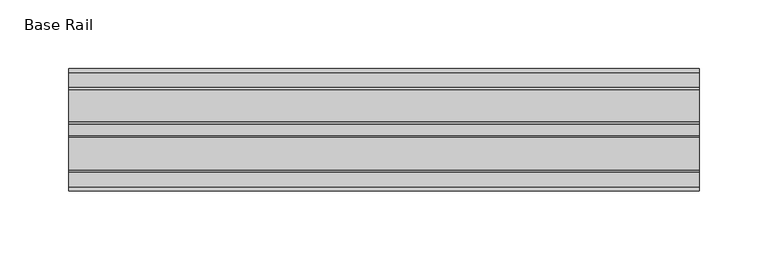
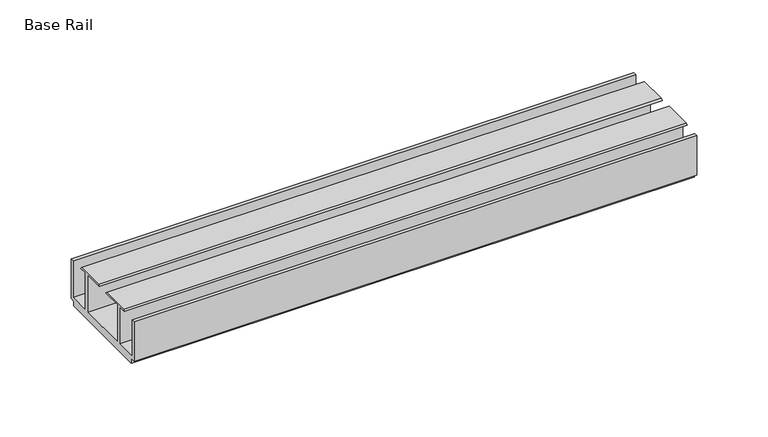
"""IFC4 building model written with IfcOpenShell, lengths in millimetres: furniture geometry, Base Rail."""

import ifcopenshell
import ifcopenshell.guid

model = None  # the IFC model being written
_history = None  # IfcOwnerHistory: only IFC2X3 demands one
_inside = {}  # id of a spatial element -> (the spatial element, [elements in it])
_under = {}  # id of a project, library or spatial element -> (it, [spatial elements below it])
_declared = {}  # id of a project -> (the project, [libraries it declares])
_typed = {}  # id of a type object -> (the type object, [elements of that type])
_made_of = {}  # id of a material, layer set ... -> (it, [elements and type objects made of it])


def new_model(schema):
    """Start an empty IFC model of exactly this schema.

    Asked for "IFC4X3", IfcOpenShell would pick the latest addendum, in which some entities
    have other attributes; the version numbers below select the first issue.
    IFC2X3 requires an IfcOwnerHistory on every rooted entity: one is made here for all.
    """
    global model, _history
    if schema == "IFC4X3":
        model = ifcopenshell.file(schema_version=(4, 3, 0, 0))
    else:
        model = ifcopenshell.file(schema=schema)
    _inside.clear()
    _under.clear()
    _declared.clear()
    _typed.clear()
    _made_of.clear()
    _history = None
    if model.schema == "IFC2X3":
        org = make("IfcOrganization", Name="unknown")
        user = make(
            "IfcPersonAndOrganization",
            ThePerson=make("IfcPerson", FamilyName="unknown"),
            TheOrganization=org,
        )
        app = make(
            "IfcApplication",
            ApplicationDeveloper=org,
            Version="unknown",
            ApplicationFullName="unknown",
            ApplicationIdentifier="unknown",
        )
        _history = make(
            "IfcOwnerHistory",
            OwningUser=user,
            OwningApplication=app,
            ChangeAction="ADDED",
            CreationDate=0,
        )
    return model


def make(cls, **values):
    """One entity of the class cls with the attributes given. An attribute that is None is left unset."""
    return model.create_entity(
        cls, **{name: value for name, value in values.items() if value is not None}
    )


def rooted(cls, **values):
    """An entity with a GlobalId (a new one), such as an element, a storey or a relation."""
    return make(cls, GlobalId=ifcopenshell.guid.new(), OwnerHistory=_history, **values)


def si_unit(unit_type, name, prefix=None):
    """IfcSIUnit, for example si_unit("LENGTHUNIT", "METRE", prefix="MILLI")."""
    return make("IfcSIUnit", UnitType=unit_type, Prefix=prefix, Name=name)


def assignment(units):
    """IfcUnitAssignment: the units of a project."""
    return None if units is None else make("IfcUnitAssignment", Units=units)


def point(xyz):
    """IfcCartesianPoint."""
    return None if xyz is None else make("IfcCartesianPoint", Coordinates=xyz)


def direction(xyz):
    """IfcDirection."""
    return None if xyz is None else make("IfcDirection", DirectionRatios=xyz)


def frame(location, z_axis=None, x_axis=None):
    """IfcAxis2Placement3D, a coordinate frame: its origin and axes. An axis left out is left unset."""
    return make(
        "IfcAxis2Placement3D",
        Location=point(location),
        Axis=direction(z_axis),
        RefDirection=direction(x_axis),
    )


def origin():
    """The frame at (0, 0, 0) with its axes left unset."""
    return frame((0.0, 0.0, 0.0))


def place(relative_to, where):
    """IfcLocalPlacement: puts the frame where relative to a parent placement (None: the world)."""
    return make(
        "IfcLocalPlacement", PlacementRelTo=relative_to, RelativePlacement=where
    )


def context(
    kind, dimensions, precision=None, world=None, true_north=None, identifier=None
):
    """IfcGeometricRepresentationContext, for example the 3D "Model" context."""
    return make(
        "IfcGeometricRepresentationContext",
        ContextIdentifier=identifier,
        ContextType=kind,
        CoordinateSpaceDimension=dimensions,
        Precision=precision,
        WorldCoordinateSystem=world,
        TrueNorth=true_north,
    )


def project(units=None, contexts=None):
    """IfcProject with its units and contexts."""
    return rooted(
        "IfcProject",
        Name="project",
        RepresentationContexts=contexts,
        UnitsInContext=assignment(units),
    )


def spatial(cls, under=None, at=None, **own):
    """A site, building, storey or space (cls), placed at a placement, below another one or the project."""
    s = rooted(cls, ObjectPlacement=at, **own)
    if under is not None:
        _under.setdefault(under.id(), (under, []))[1].append(s)
    return s


def polyline(points):
    """IfcPolyline through the points."""
    return make("IfcPolyline", Points=[point(p) for p in points])


def outline(outer, holes=None, kind="AREA"):
    """IfcArbitraryClosedProfileDef: a profile drawn as a closed curve; with holes, ...WithVoids."""
    if holes is None:
        return make("IfcArbitraryClosedProfileDef", ProfileType=kind, OuterCurve=outer)
    return make(
        "IfcArbitraryProfileDefWithVoids",
        ProfileType=kind,
        OuterCurve=outer,
        InnerCurves=holes,
    )


def extrude(swept, where, along, depth):
    """IfcExtrudedAreaSolid: the profile swept, set in the frame where, extruded along a direction by depth."""
    return make(
        "IfcExtrudedAreaSolid",
        SweptArea=swept,
        Position=where,
        ExtrudedDirection=direction(along),
        Depth=depth,
    )


def shape(context_of_items, identifier, shape_type, items):
    """IfcShapeRepresentation: the items that make up one representation, for example the "Body"."""
    return make(
        "IfcShapeRepresentation",
        ContextOfItems=context_of_items,
        RepresentationIdentifier=identifier,
        RepresentationType=shape_type,
        Items=items,
    )


def source(mapping_origin, context_of_items, identifier, shape_type, items):
    """IfcRepresentationMap: a shape defined once, which mapped items show again and again."""
    return make(
        "IfcRepresentationMap",
        MappingOrigin=mapping_origin,
        MappedRepresentation=shape(context_of_items, identifier, shape_type, items),
    )


def transform(
    local_origin,
    x_axis=None,
    y_axis=None,
    z_axis=None,
    scale=None,
    scale2=None,
    scale3=None,
    uniform=True,
):
    """IfcCartesianTransformationOperator3D, or its non-uniform kind. x_axis, y_axis, z_axis: its Axis1, 2, 3."""
    if uniform:
        return make(
            "IfcCartesianTransformationOperator3D",
            Axis1=direction(x_axis),
            Axis2=direction(y_axis),
            LocalOrigin=point(local_origin),
            Scale=scale,
            Axis3=direction(z_axis),
        )
    return make(
        "IfcCartesianTransformationOperator3DnonUniform",
        Axis1=direction(x_axis),
        Axis2=direction(y_axis),
        LocalOrigin=point(local_origin),
        Scale=scale,
        Axis3=direction(z_axis),
        Scale2=scale2,
        Scale3=scale3,
    )


def mapped(mapping_source, mapping_target):
    """IfcMappedItem: shows the shape of a source again, moved by a transform."""
    return make(
        "IfcMappedItem", MappingSource=mapping_source, MappingTarget=mapping_target
    )


def made_of(thing, what):
    """Note that an element or type object is made of a material, layer set ...; save() writes the relation."""
    if what is not None:
        _made_of.setdefault(what.id(), (what, []))[1].append(thing)
    return thing


def element(
    cls,
    number,
    at=None,
    inside=None,
    cuts=None,
    type_object=None,
    material=None,
    context=None,
    identifier="Body",
    shape_type=None,
    held_by="IfcProductDefinitionShape",
    body=None,
    shapes=None,
    **own,
):
    """One element of the class cls, such as IfcWall. Its Tag is "e" and its number.

    at: its placement. inside: the storey or other place that contains it. cuts: it is an
    opening in that element (IfcRelVoidsElement). A single representation is given by context,
    identifier, shape_type and body (its items); several are given by shapes. held_by: the class
    of the entity that holds the representations. save() writes the other relations.
    """
    e = rooted(cls, Tag="e%d" % number, ObjectPlacement=at, **own)
    if body is not None:
        shapes = [shape(context, identifier, shape_type, body)]
    if shapes is not None:
        e.Representation = make(held_by, Representations=shapes)
    if inside is not None:
        _inside.setdefault(inside.id(), (inside, []))[1].append(e)
    if cuts is not None:
        rooted(
            "IfcRelVoidsElement", RelatingBuildingElement=cuts, RelatedOpeningElement=e
        )
    if type_object is not None:
        _typed.setdefault(type_object.id(), (type_object, []))[1].append(e)
    return made_of(e, material)


def aggregate(whole, parts):
    """IfcRelAggregates: a whole, such as a stair, and the parts it consists of."""
    return rooted("IfcRelAggregates", RelatingObject=whole, RelatedObjects=parts)


def save(model, path):
    """Write the relations noted so far, then the file.

    IfcRelAggregates (storeys below a building ...), IfcRelContainedInSpatialStructure (elements
    in a storey), IfcRelDefinesByType, IfcRelAssociatesMaterial and IfcRelDeclares: one each for
    every whole, place, type object, material and project.
    """
    for whole, parts in _under.values():
        aggregate(whole, parts)
    for where, things in _inside.values():
        rooted(
            "IfcRelContainedInSpatialStructure",
            RelatedElements=things,
            RelatingStructure=where,
        )
    for kind, things in _typed.values():
        rooted("IfcRelDefinesByType", RelatedObjects=things, RelatingType=kind)
    for what, things in _made_of.values():
        rooted("IfcRelAssociatesMaterial", RelatedObjects=things, RelatingMaterial=what)
    for by, libraries in _declared.values():
        rooted("IfcRelDeclares", RelatingContext=by, RelatedDefinitions=libraries)
    model.write(path)


def base_rail_cde341f6(model_context):
    return source(origin(), model_context, "Body", "SweptSolid", [
        extrude(outline(polyline([(-28.948195, 4.0000001), (-28.948195, 38.1), (-26.1481963, 38.1), (-26.1481963, 6.6000002), (-8.7481957, 6.6000002), (-8.7481957, 38.5424102), (-15.1141535, 38.5424102), (-13.9690637, 39.6875), (9.9171991, 39.6875), (11.062289, 38.5424102), (-5.4481956, 38.5424102), (-5.4481956, 6.6000002), (36.4518057, 6.6000002), (36.4518057, 38.5424102), (19.9413211, 38.5424102), (21.086411, 39.6875), (44.9726737, 39.6875), (46.1177636, 38.5424102), (39.7518058, 38.5424102), (39.7518058, 6.6000002), (57.1518064, 6.6000002), (57.1518064, 38.1), (59.951805, 38.1), (59.951805, 4.0000001), (55.9518063, 4.0000001), (55.9518063, 0.0), (-24.9481962, 0.0), (-24.9481962, 4.0000001), (-28.948195, 4.0000001)])), frame((-198.6228469, 0.0, 0.0), z_axis=(1.0, 0.0, 0.0), x_axis=(0.0, 1.0, 0.0)), (0.0, 0.0, 1.0), 457.2),
    ])


if __name__ == "__main__":
    model = new_model("IFC4")
    model_context = context("Model", 3, world=origin())
    ifc_project = project(units=[si_unit("LENGTHUNIT", "METRE", prefix="MILLI")], contexts=[model_context])
    site = spatial("IfcSite", under=ifc_project)
    building = spatial("IfcBuilding", under=site)
    placement = place(None, origin())
    base_rail_shape = base_rail_cde341f6(model_context)
    element("IfcFurniture", 1, ObjectType="Base Rail", at=placement, inside=building, context=model_context, shape_type="MappedRepresentation", body=[
        mapped(base_rail_shape, transform((0.0, 0.0, 0.0), x_axis=(1.0, 0.0, 0.0), y_axis=(0.0, 1.0, 0.0), z_axis=(0.0, 0.0, 1.0))),
    ])
    save(model, "model.ifc")
